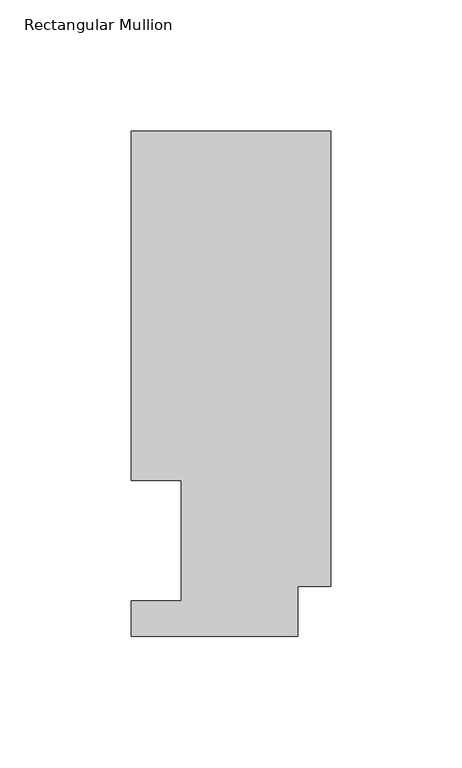
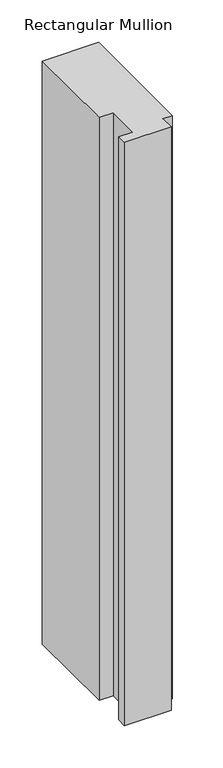
"""IFC4 building model written with IfcOpenShell, lengths in millimetres: member geometry, Rectangular Mullion."""

from ifc_helpers import new_model, si_unit, frame, origin, place, context, project, spatial, polyline, outline, extrude, source, transform, mapped, element, save


def rectangular_mullion_27194606(model_context):
    return source(origin(), model_context, "Body", "SweptSolid", [
        extrude(outline(polyline([(0.0, 192.88125), (0.0, 19.04365), (-12.7, 19.06905), (-12.7, 0.04445), (-76.2, 0.04445), (-76.2, 13.50645), (-57.15, 13.50645), (-57.15, 59.53125), (-76.2, 59.53125), (-76.2, 192.88125), (0.0, 192.88125)])), frame((0.0, 0.0, -838.2), z_axis=(0.0, 0.0, 1.0), x_axis=(1.0, 0.0, 0.0)), (0.0, 0.0, 1.0), 838.2),
    ])


if __name__ == "__main__":
    model = new_model("IFC4")
    model_context = context("Model", 3, world=origin())
    ifc_project = project(units=[si_unit("LENGTHUNIT", "METRE", prefix="MILLI")], contexts=[model_context])
    site = spatial("IfcSite", under=ifc_project)
    building = spatial("IfcBuilding", under=site)
    placement = place(None, origin())
    rectangular_mullion_shape = rectangular_mullion_27194606(model_context)
    element("IfcMember", 1, ObjectType="Rectangular Mullion", at=placement, inside=building, context=model_context, shape_type="MappedRepresentation", body=[
        mapped(rectangular_mullion_shape, transform((0.0, 0.0, 0.0), x_axis=(1.0, 0.0, 0.0), y_axis=(0.0, 1.0, 0.0), z_axis=(0.0, 0.0, 1.0))),
    ])
    save(model, "model.ifc")
